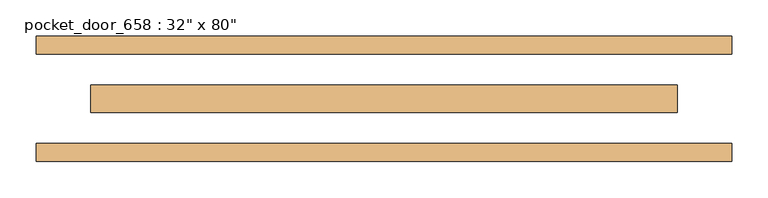
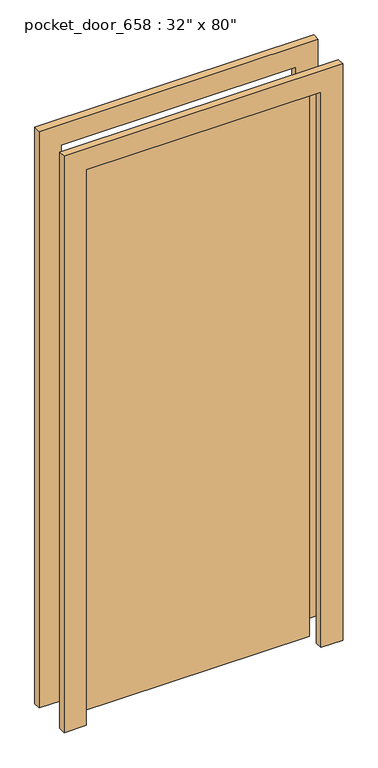
"""IFC4 building model written with IfcOpenShell, lengths in millimetres: door geometry."""

from ifc_helpers import new_model, si_unit, frame, origin, origin_with_axes, place, context, project, spatial, polyline, outline, extrude, source, transform, mapped, element, save


def door_12661322(model_context):
    return source(origin(), model_context, "Body", "SweptSolid", [
        extrude(outline(polyline([(-406.4, -19.05), (-406.4, 19.05), (406.4, 19.05), (406.4, -19.05), (-406.4, -19.05)])), origin_with_axes(), (0.0, 0.0, 1.0), 2032.0),
        extrude(outline(polyline([(2032.0, -406.4), (2032.0, 406.4), (0.0, 406.4), (0.0, 482.6), (2108.2, 482.6), (2108.2, -482.6), (0.0, -482.6), (0.0, -406.4), (2032.0, -406.4)])), frame((0.0, 61.9125, 0.0), z_axis=(0.0, 1.0, 0.0), x_axis=(0.0, 0.0, 1.0)), (0.0, 0.0, 1.0), 25.4),
        extrude(outline(polyline([(2032.0, -406.4), (2032.0, 406.4), (0.0, 406.4), (0.0, 482.6), (2108.2, 482.6), (2108.2, -482.6), (0.0, -482.6), (0.0, -406.4), (2032.0, -406.4)])), frame((0.0, -87.3125, 0.0), z_axis=(0.0, 1.0, 0.0), x_axis=(0.0, 0.0, 1.0)), (0.0, 0.0, 1.0), 25.4),
    ])


if __name__ == "__main__":
    model = new_model("IFC4")
    model_context = context("Model", 3, world=origin())
    ifc_project = project(units=[si_unit("LENGTHUNIT", "METRE", prefix="MILLI")], contexts=[model_context])
    site = spatial("IfcSite", under=ifc_project)
    building = spatial("IfcBuilding", under=site)
    placement = place(None, origin())
    door_shape = door_12661322(model_context)
    element("IfcDoor", 1, ObjectType="pocket_door_658 : 32\" x 80\"", at=placement, inside=building, context=model_context, shape_type="MappedRepresentation", body=[
        mapped(door_shape, transform((0.0, 0.0, 0.0), x_axis=(1.0, 0.0, 0.0), y_axis=(0.0, 1.0, 0.0), z_axis=(0.0, 0.0, 1.0))),
    ])
    save(model, "model.ifc")
